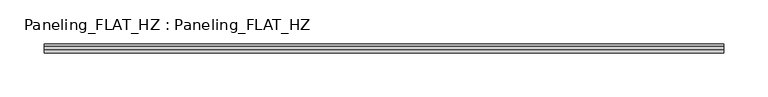
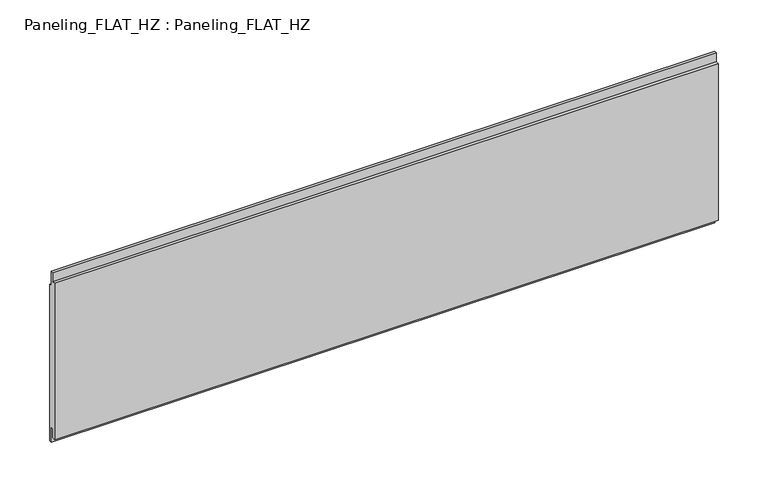
"""IFC4 building model written with IfcOpenShell, lengths in millimetres: plate geometry, Paneling_FLAT_HZ : Paneling_FLAT_HZ."""

from ifc_helpers import new_model, si_unit, frame, origin, place, context, project, spatial, polyline, outline, extrude, source, transform, mapped, element, save


def paneling_flat_hz_paneling_flat_hz_95aaf06d(model_context):
    return source(origin(), model_context, "Body", "SweptSolid", [
        extrude(outline(polyline([(-1.0, 202.3), (2.0, 202.3), (2.0, 184.3), (5.0, 184.3), (5.0, -7.0), (2.0, -7.0), (2.0, 11.0), (-1.0, 11.0), (-1.0, 0.0), (-5.0, 0.0), (-5.0, 191.3), (-1.0, 191.3), (-1.0, 202.3)])), frame((-383.4, 0.0, 0.0), z_axis=(1.0, 0.0, 0.0), x_axis=(0.0, 1.0, 0.0)), (0.0, 0.0, 1.0), 766.8),
    ])


if __name__ == "__main__":
    model = new_model("IFC4")
    model_context = context("Model", 3, world=origin())
    ifc_project = project(units=[si_unit("LENGTHUNIT", "METRE", prefix="MILLI")], contexts=[model_context])
    site = spatial("IfcSite", under=ifc_project)
    building = spatial("IfcBuilding", under=site)
    placement = place(None, origin())
    paneling_flat_hz_paneling_flat_hz_shape = paneling_flat_hz_paneling_flat_hz_95aaf06d(model_context)
    element("IfcPlate", 1, ObjectType="Paneling_FLAT_HZ : Paneling_FLAT_HZ", at=placement, inside=building, context=model_context, shape_type="MappedRepresentation", body=[
        mapped(paneling_flat_hz_paneling_flat_hz_shape, transform((0.0, 0.0, 0.0), x_axis=(1.0, 0.0, 0.0), y_axis=(0.0, 1.0, 0.0), z_axis=(0.0, 0.0, 1.0))),
    ])
    save(model, "model.ifc")
